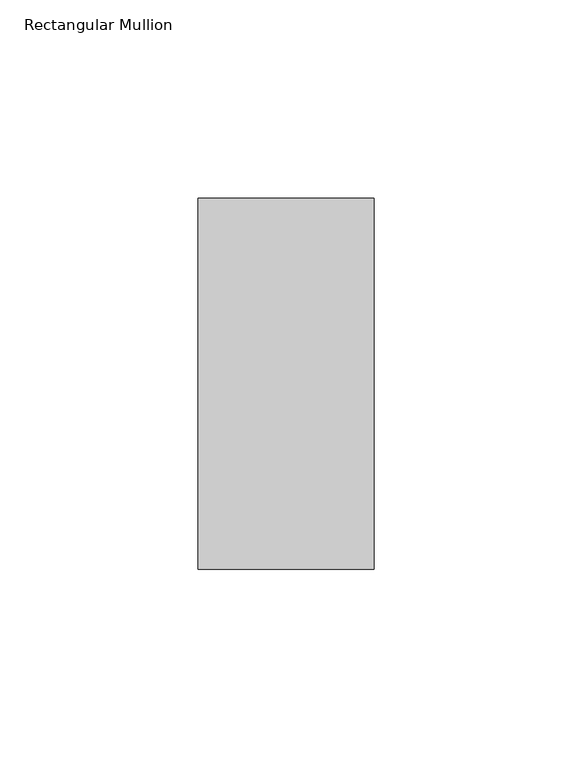
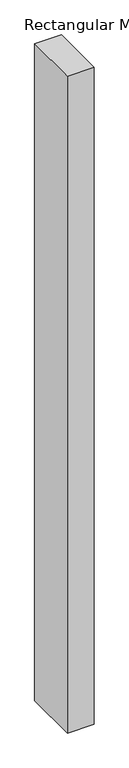
"""IFC4 building model written with IfcOpenShell, lengths in millimetres: member geometry, Rectangular Mullion."""

from ifc_helpers import new_model, si_unit, frame, origin, place, context, project, spatial, polyline, outline, extrude, source, transform, mapped, element, save


def rectangular_mullion_8aac40be(model_context):
    return source(origin(), model_context, "Body", "SweptSolid", [
        extrude(outline(polyline([(-44.4247897, 48.4274954), (0.0, 48.4274954), (0.0, -45.2496682), (-44.4247897, -45.2496682), (-44.4247897, 48.4274954)])), frame((0.0, 0.0, -1152.5628155), z_axis=(0.0, 0.0, 1.0), x_axis=(1.0, 0.0, 0.0)), (0.0, 0.0, 1.0), 1152.5628155),
    ])


if __name__ == "__main__":
    model = new_model("IFC4")
    model_context = context("Model", 3, world=origin())
    ifc_project = project(units=[si_unit("LENGTHUNIT", "METRE", prefix="MILLI")], contexts=[model_context])
    site = spatial("IfcSite", under=ifc_project)
    building = spatial("IfcBuilding", under=site)
    placement = place(None, origin())
    rectangular_mullion_shape = rectangular_mullion_8aac40be(model_context)
    element("IfcMember", 1, ObjectType="Rectangular Mullion", at=placement, inside=building, context=model_context, shape_type="MappedRepresentation", body=[
        mapped(rectangular_mullion_shape, transform((0.0, 0.0, 0.0), x_axis=(1.0, 0.0, 0.0), y_axis=(0.0, 1.0, 0.0), z_axis=(0.0, 0.0, 1.0))),
    ])
    save(model, "model.ifc")
